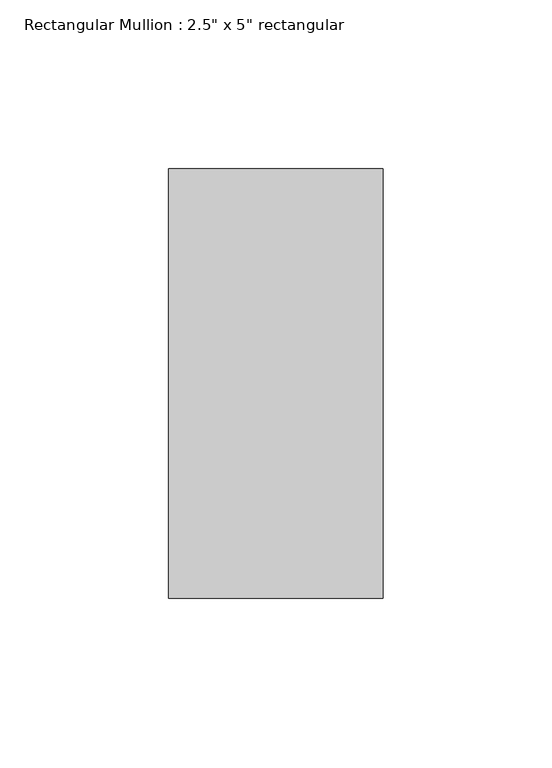
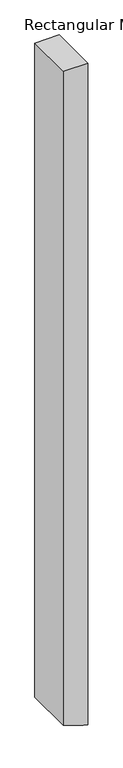
"""IFC4 building model written with IfcOpenShell, lengths in millimetres: member geometry."""

from ifc_helpers import new_model, si_unit, frame, origin, place, context, project, spatial, polyline, outline, extrude, source, transform, mapped, element, save


def member_fea5d7de(model_context):
    return source(origin(), model_context, "Body", "SweptSolid", [
        extrude(outline(polyline([(0.0, 31.75), (0.0, -31.75), (-1793.9227134, -31.75), (-1810.8180823, 19.7828002), (-1814.7416078, 31.75), (0.0, 31.75)])), frame((0.0, -63.5, 0.0), z_axis=(0.0, 1.0, 0.0), x_axis=(0.0, 0.0, 1.0)), (0.0, 0.0, 1.0), 127.0),
    ])


if __name__ == "__main__":
    model = new_model("IFC4")
    model_context = context("Model", 3, world=origin())
    ifc_project = project(units=[si_unit("LENGTHUNIT", "METRE", prefix="MILLI")], contexts=[model_context])
    site = spatial("IfcSite", under=ifc_project)
    building = spatial("IfcBuilding", under=site)
    placement = place(None, origin())
    member_shape = member_fea5d7de(model_context)
    element("IfcMember", 1, ObjectType="Rectangular Mullion : 2.5\" x 5\" rectangular", at=placement, inside=building, context=model_context, shape_type="MappedRepresentation", body=[
        mapped(member_shape, transform((0.0, 0.0, 0.0), x_axis=(1.0, 0.0, 0.0), y_axis=(0.0, 1.0, 0.0), z_axis=(0.0, 0.0, 1.0))),
    ])
    save(model, "model.ifc")
